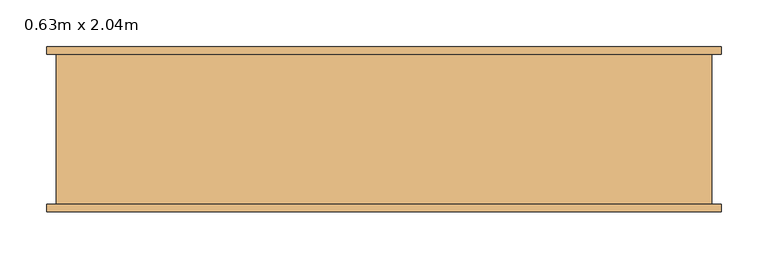
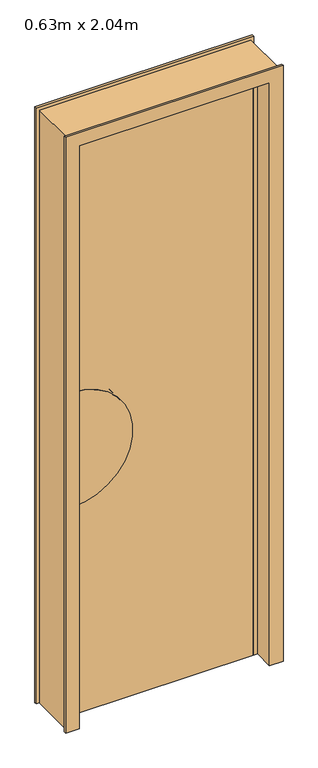
"""IFC4 building model written with IfcOpenShell, lengths in millimetres: door geometry, 0.63m x 2.04m."""

from ifc_helpers import new_model, si_unit, point, frame, frame_2d, origin, origin_with_axes, place, context, project, spatial, polyline, circle_curve, trimmed, segment, composite_curve, outline, extrude, faceted_brep, source, transform, mapped, element, save


def door_0_63m_x_2_04m_029c1dd2(model_context):
    return source(origin(), model_context, "Body", "SolidModel", [
        faceted_brep([(-350.0, -80.0, 0.0), (-350.0, 80.0, 0.0), (-360.0, 80.0, 0.0), (-360.0, 88.0, 0.0), (-315.0, 88.0, 0.0), (-315.0, 20.0, 0.0), (-300.0, 20.0, 0.0), (-300.0, -20.0, 0.0), (-315.0, -20.0, 0.0), (-315.0, -88.0, 0.0), (-360.0, -88.0, 0.0), (-360.0, -80.0, 0.0), (-350.0, -80.0, 2075.0), (-350.0, 80.0, 2075.0), (350.0, 80.0, 2075.0), (350.0, 80.0, 0.0), (360.0, 80.0, 0.0), (360.0, 80.0, 2085.0), (-360.0, 80.0, 2085.0), (-360.0, 88.0, 2085.0), (360.0, 88.0, 2085.0), (360.0, 88.0, 0.0), (315.0, 88.0, 0.0), (315.0, 88.0, 2040.0), (-315.0, 88.0, 2040.0), (-315.0, 20.0, 2040.0), (315.0, 20.0, 2040.0), (315.0, 20.0, 0.0), (300.0, 20.0, 0.0), (300.0, 20.0, 2025.0), (-300.0, 20.0, 2025.0), (-300.0, -20.0, 2025.0), (300.0, -20.0, 2025.0), (300.0, -20.0, 0.0), (315.0, -20.0, 0.0), (315.0, -20.0, 2040.0), (-315.0, -20.0, 2040.0), (-315.0, -88.0, 2040.0), (315.0, -88.0, 2040.0), (315.0, -88.0, 0.0), (360.0, -88.0, 0.0), (360.0, -88.0, 2085.0), (-360.0, -88.0, 2085.0), (-360.0, -80.0, 2085.0), (360.0, -80.0, 2085.0), (360.0, -80.0, 0.0), (350.0, -80.0, 0.0), (350.0, -80.0, 2075.0)], [[[0, 1, 2, 3, 4, 5, 6, 7, 8, 9, 10, 11]], [[1, 0, 12, 13]], [[2, 1, 13, 14, 15, 16, 17, 18]], [[3, 2, 18, 19]], [[4, 3, 19, 20, 21, 22, 23, 24]], [[5, 4, 24, 25]], [[6, 5, 25, 26, 27, 28, 29, 30]], [[7, 6, 30, 31]], [[8, 7, 31, 32, 33, 34, 35, 36]], [[9, 8, 36, 37]], [[10, 9, 37, 38, 39, 40, 41, 42]], [[11, 10, 42, 43]], [[0, 11, 43, 44, 45, 46, 47, 12]], [[14, 47, 46, 15]], [[46, 45, 40, 39, 34, 33, 28, 27, 22, 21, 16, 15]], [[20, 17, 16, 21]], [[26, 23, 22, 27]], [[32, 29, 28, 33]], [[38, 35, 34, 39]], [[44, 41, 40, 45]], [[13, 12, 47, 14]], [[19, 18, 17, 20]], [[25, 24, 23, 26]], [[31, 30, 29, 32]], [[37, 36, 35, 38]], [[43, 42, 41, 44]]]),
        extrude(outline(polyline([(300.0, -20.0), (-300.0, -20.0), (-300.0, 20.0), (300.0, 20.0), (300.0, -20.0)])), origin_with_axes(), (0.0, 0.0, 1.0), 2025.0),
        extrude(outline(composite_curve([segment(polyline([(1130.0, -300.0), (730.0, -300.0)]), True, "CONTINUOUS"), segment(trimmed(circle_curve(frame_2d((930.0, -300.0)), 200.0), [point((730.0, -300.0))], [point((1130.0, -300.0))], False, "CARTESIAN"), True, "CONTINUOUS")], self_intersect=False)), frame((0.0, 20.0, 0.0), z_axis=(0.0, 1.0, 0.0), x_axis=(0.0, 0.0, 1.0)), (0.0, 0.0, 1.0), 2.0),
        extrude(outline(composite_curve([segment(trimmed(circle_curve(frame_2d((930.0, -300.0)), 200.0), [point((730.0, -300.0))], [point((1130.0, -300.0))], False, "CARTESIAN"), True, "CONTINUOUS"), segment(polyline([(1130.0, -300.0), (730.0, -300.0)]), True, "CONTINUOUS")], self_intersect=False)), frame((0.0, -22.0, 0.0), z_axis=(0.0, 1.0, 0.0), x_axis=(0.0, 0.0, 1.0)), (0.0, 0.0, 1.0), 2.0),
    ])


if __name__ == "__main__":
    model = new_model("IFC4")
    model_context = context("Model", 3, world=origin())
    ifc_project = project(units=[si_unit("LENGTHUNIT", "METRE", prefix="MILLI")], contexts=[model_context])
    site = spatial("IfcSite", under=ifc_project)
    building = spatial("IfcBuilding", under=site)
    placement = place(None, origin())
    door_0_63m_x_2_04m_shape = door_0_63m_x_2_04m_029c1dd2(model_context)
    element("IfcDoor", 1, ObjectType="0.63m x 2.04m", at=placement, inside=building, context=model_context, shape_type="MappedRepresentation", body=[
        mapped(door_0_63m_x_2_04m_shape, transform((0.0, 0.0, 0.0), x_axis=(1.0, 0.0, 0.0), y_axis=(0.0, 1.0, 0.0), z_axis=(0.0, 0.0, 1.0))),
    ])
    save(model, "model.ifc")
